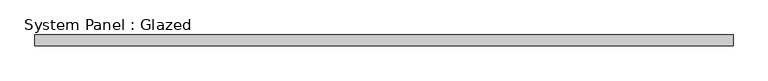
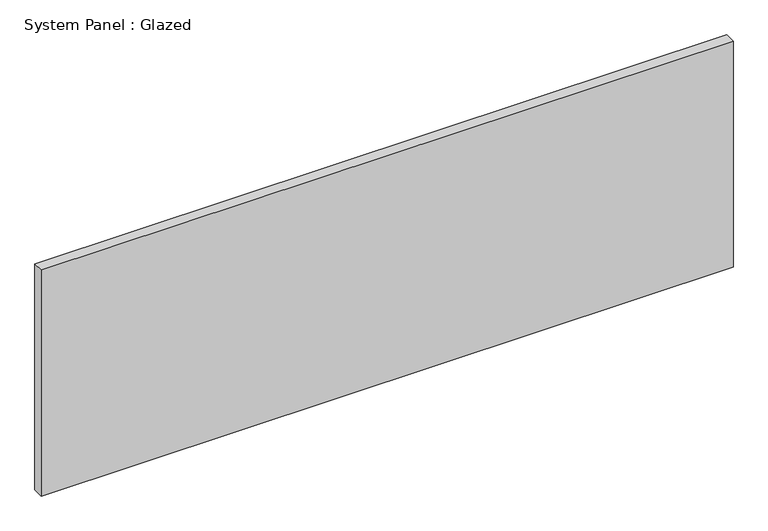
"""IFC4 building model written with IfcOpenShell, lengths in millimetres: plate geometry, System Panel : Glazed."""

from ifc_helpers import new_model, si_unit, origin, origin_with_axes, place, context, project, spatial, polyline, outline, extrude, source, transform, mapped, element, save


def system_panel_glazed_479d4892(model_context):
    return source(origin(), model_context, "Body", "SweptSolid", [
        extrude(outline(polyline([(809.1455333, 24.5), (-809.1455333, 24.5), (-809.1455333, 49.5), (809.1455333, 49.5), (809.1455333, 24.5)])), origin_with_axes(), (0.0, 0.0, 1.0), 559.6),
    ])


if __name__ == "__main__":
    model = new_model("IFC4")
    model_context = context("Model", 3, world=origin())
    ifc_project = project(units=[si_unit("LENGTHUNIT", "METRE", prefix="MILLI")], contexts=[model_context])
    site = spatial("IfcSite", under=ifc_project)
    building = spatial("IfcBuilding", under=site)
    placement = place(None, origin())
    system_panel_glazed_shape = system_panel_glazed_479d4892(model_context)
    element("IfcPlate", 1, ObjectType="System Panel : Glazed", at=placement, inside=building, context=model_context, shape_type="MappedRepresentation", body=[
        mapped(system_panel_glazed_shape, transform((0.0, 0.0, 0.0), x_axis=(1.0, 0.0, 0.0), y_axis=(0.0, 1.0, 0.0), z_axis=(0.0, 0.0, 1.0))),
    ])
    save(model, "model.ifc")
